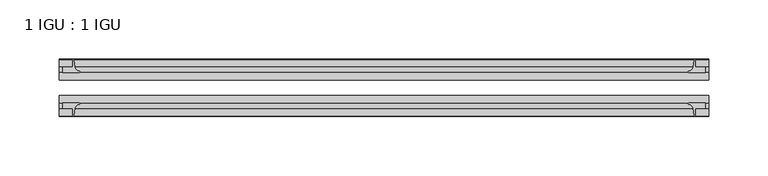
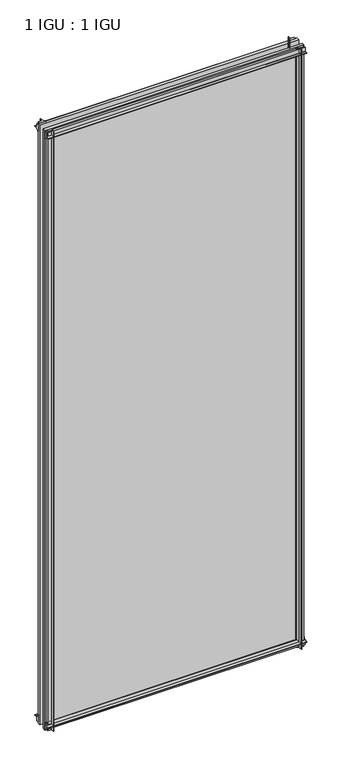
"""IFC4 building model written with IfcOpenShell, lengths in millimetres: plate geometry, 1 IGU : 1 IGU."""

from ifc_helpers import new_model, si_unit, point, frame, frame_2d, origin, place, context, project, spatial, polyline, circle_curve, trimmed, segment, composite_curve, outline, extrude, source, transform, mapped, element, save


def plate_1_igu_1_igu_a34c7358(model_context):
    return source(origin(), model_context, "Body", "SweptSolid", [
        extrude(outline(composite_curve([segment(polyline([(-42.3267187, -8.2068385), (-47.0892187, -8.2068385), (-47.0892187, 0.0), (-53.563779, 0.0)]), True, "CONTINUOUS"), segment(trimmed(circle_curve(frame_2d((-53.0328134, 0.3482823)), 0.635), [point((-53.563779, 0.0))], [point((-53.0575397, 0.9828007))], False, "CARTESIAN"), True, "CONTINUOUS"), segment(trimmed(circle_curve(frame_2d((-54.2310045, 31.0958559)), 30.1359106), [point((-53.0575397, 0.9828007))], [point((-47.0834032, 1.8198434))], True, "CARTESIAN"), True, "CONTINUOUS"), segment(trimmed(circle_curve(frame_2d((-48.2159797, 6.4587878)), 4.7752), [point((-47.0834032, 1.8198434))], [point((-43.578416, 5.3205707))], True, "CARTESIAN"), True, "CONTINUOUS"), segment(trimmed(circle_curve(frame_2d((-42.9617187, 5.169212)), 0.635), [point((-43.578416, 5.3205707))], [point((-42.3267187, 5.169212))], False, "CARTESIAN"), True, "CONTINUOUS"), segment(polyline([(-42.3267187, 5.169212), (-42.3267187, -8.2068385)]), True, "CONTINUOUS")], self_intersect=False)), frame((-273.05, 0.0, 0.0), z_axis=(1.0, 0.0, 0.0), x_axis=(0.0, 1.0, 0.0)), (0.0, 0.0, 1.0), 546.1),
        extrude(outline(composite_curve([segment(polyline([(-16.9267187, -8.2068385), (-16.9267187, 5.169212)]), True, "CONTINUOUS"), segment(trimmed(circle_curve(frame_2d((-16.2917187, 5.169212)), 0.635), [point((-16.9267187, 5.169212))], [point((-15.6750215, 5.3205707))], False, "CARTESIAN"), True, "CONTINUOUS"), segment(trimmed(circle_curve(frame_2d((-11.0374578, 6.4587878)), 4.7752), [point((-15.6750215, 5.3205707))], [point((-12.1700343, 1.8198434))], True, "CARTESIAN"), True, "CONTINUOUS"), segment(trimmed(circle_curve(frame_2d((-5.022433, 31.0958559)), 30.1359106), [point((-12.1700343, 1.8198434))], [point((-6.1958978, 0.9828007))], True, "CARTESIAN"), True, "CONTINUOUS"), segment(trimmed(circle_curve(frame_2d((-6.2206241, 0.3482823)), 0.635), [point((-6.1958978, 0.9828007))], [point((-5.6896585, 0.0))], False, "CARTESIAN"), True, "CONTINUOUS"), segment(polyline([(-5.6896585, 0.0), (-12.1642187, 0.0), (-12.1642187, -8.2068385), (-16.9267187, -8.2068385)]), True, "CONTINUOUS")], self_intersect=False)), frame((-273.05, 0.0, 0.0), z_axis=(1.0, 0.0, 0.0), x_axis=(0.0, 1.0, 0.0)), (0.0, 0.0, 1.0), 546.1),
        extrude(outline(composite_curve([segment(polyline([(-47.0892188, 1314.45), (-47.0892188, 1322.6568385), (-42.3267188, 1322.6568385), (-42.3267188, 1309.280788)]), True, "CONTINUOUS"), segment(trimmed(circle_curve(frame_2d((-42.9617187, 1309.280788)), 0.635), [point((-42.3267188, 1309.280788))], [point((-43.578416, 1309.1294293))], False, "CARTESIAN"), True, "CONTINUOUS"), segment(trimmed(circle_curve(frame_2d((-48.2159797, 1307.9912122)), 4.7752), [point((-43.578416, 1309.1294293))], [point((-47.0834032, 1312.6301566))], True, "CARTESIAN"), True, "CONTINUOUS"), segment(trimmed(circle_curve(frame_2d((-54.2310045, 1283.3541441)), 30.1359106), [point((-47.0834032, 1312.6301566))], [point((-53.0575397, 1313.4671993))], True, "CARTESIAN"), True, "CONTINUOUS"), segment(trimmed(circle_curve(frame_2d((-53.0328134, 1314.1017177)), 0.635), [point((-53.0575397, 1313.4671993))], [point((-53.563779, 1314.45))], False, "CARTESIAN"), True, "CONTINUOUS"), segment(polyline([(-53.563779, 1314.45), (-47.0892188, 1314.45)]), True, "CONTINUOUS")], self_intersect=False)), frame((-273.05, 0.0, 0.0), z_axis=(1.0, 0.0, 0.0), x_axis=(0.0, 1.0, 0.0)), (0.0, 0.0, 1.0), 546.1),
        extrude(outline(composite_curve([segment(polyline([(-12.1642187, 1314.45), (-5.6896585, 1314.45)]), True, "CONTINUOUS"), segment(trimmed(circle_curve(frame_2d((-6.2206241, 1314.1017177)), 0.635), [point((-5.6896585, 1314.45))], [point((-6.1958978, 1313.4671993))], False, "CARTESIAN"), True, "CONTINUOUS"), segment(trimmed(circle_curve(frame_2d((-5.022433, 1283.3541441)), 30.1359106), [point((-6.1958978, 1313.4671993))], [point((-12.1700343, 1312.6301566))], True, "CARTESIAN"), True, "CONTINUOUS"), segment(trimmed(circle_curve(frame_2d((-11.0374578, 1307.9912122)), 4.7752), [point((-12.1700343, 1312.6301566))], [point((-15.6750215, 1309.1294293))], True, "CARTESIAN"), True, "CONTINUOUS"), segment(trimmed(circle_curve(frame_2d((-16.2917188, 1309.280788)), 0.635), [point((-15.6750215, 1309.1294293))], [point((-16.9267188, 1309.280788))], False, "CARTESIAN"), True, "CONTINUOUS"), segment(polyline([(-16.9267188, 1309.280788), (-16.9267187, 1322.6568385), (-12.1642187, 1322.6568385), (-12.1642187, 1314.45)]), True, "CONTINUOUS")], self_intersect=False)), frame((-273.05, 0.0, 0.0), z_axis=(1.0, 0.0, 0.0), x_axis=(0.0, 1.0, 0.0)), (0.0, 0.0, 1.0), 546.1),
        extrude(outline(composite_curve([segment(polyline([(261.9375, -5.6896585), (261.9375, -12.1642188), (270.1443385, -12.1642188), (270.1443385, -16.9267187), (256.768288, -16.9267187)]), True, "CONTINUOUS"), segment(trimmed(circle_curve(frame_2d((256.768288, -16.2917188)), 0.635), [point((256.768288, -16.9267187))], [point((256.6169293, -15.6750215))], False, "CARTESIAN"), True, "CONTINUOUS"), segment(trimmed(circle_curve(frame_2d((255.4787122, -11.0374578)), 4.7752), [point((256.6169293, -15.6750215))], [point((260.1176566, -12.1700343))], True, "CARTESIAN"), True, "CONTINUOUS"), segment(trimmed(circle_curve(frame_2d((230.8416441, -5.022433)), 30.1359106), [point((260.1176566, -12.1700343))], [point((260.9546993, -6.1958978))], True, "CARTESIAN"), True, "CONTINUOUS"), segment(trimmed(circle_curve(frame_2d((261.5892177, -6.2206241)), 0.635), [point((260.9546993, -6.1958978))], [point((261.9375, -5.6896585))], False, "CARTESIAN"), True, "CONTINUOUS")], self_intersect=False)), frame((0.0, 0.0, -11.1125), z_axis=(0.0, 0.0, 1.0), x_axis=(1.0, 0.0, 0.0)), (0.0, 0.0, 1.0), 1336.675),
        extrude(outline(composite_curve([segment(trimmed(circle_curve(frame_2d((261.5892177, -53.0328134)), 0.635), [point((261.9375, -53.563779))], [point((260.9546993, -53.0575397))], False, "CARTESIAN"), True, "CONTINUOUS"), segment(trimmed(circle_curve(frame_2d((230.8416441, -54.2310045)), 30.1359106), [point((260.9546993, -53.0575397))], [point((260.1176566, -47.0834032))], True, "CARTESIAN"), True, "CONTINUOUS"), segment(trimmed(circle_curve(frame_2d((255.4787122, -48.2159797)), 4.7752), [point((260.1176566, -47.0834032))], [point((256.6169293, -43.578416))], True, "CARTESIAN"), True, "CONTINUOUS"), segment(trimmed(circle_curve(frame_2d((256.768288, -42.9617187)), 0.635), [point((256.6169293, -43.578416))], [point((256.768288, -42.3267187))], False, "CARTESIAN"), True, "CONTINUOUS"), segment(polyline([(256.768288, -42.3267187), (270.1443385, -42.3267187), (270.1443385, -47.0892188), (261.9375, -47.0892188), (261.9375, -53.563779)]), True, "CONTINUOUS")], self_intersect=False)), frame((0.0, 0.0, -11.1125), z_axis=(0.0, 0.0, 1.0), x_axis=(1.0, 0.0, 0.0)), (0.0, 0.0, 1.0), 1336.675),
        extrude(outline(composite_curve([segment(trimmed(circle_curve(frame_2d((-261.5892177, -6.2206241)), 0.635), [point((-261.9375, -5.6896585))], [point((-260.9546993, -6.1958978))], False, "CARTESIAN"), True, "CONTINUOUS"), segment(trimmed(circle_curve(frame_2d((-230.8416441, -5.022433)), 30.1359106), [point((-260.9546993, -6.1958978))], [point((-260.1176566, -12.1700343))], True, "CARTESIAN"), True, "CONTINUOUS"), segment(trimmed(circle_curve(frame_2d((-255.4787122, -11.0374578)), 4.7752), [point((-260.1176566, -12.1700343))], [point((-256.6169293, -15.6750215))], True, "CARTESIAN"), True, "CONTINUOUS"), segment(trimmed(circle_curve(frame_2d((-256.768288, -16.2917187)), 0.635), [point((-256.6169293, -15.6750215))], [point((-256.768288, -16.9267187))], False, "CARTESIAN"), True, "CONTINUOUS"), segment(polyline([(-256.768288, -16.9267187), (-270.1443385, -16.9267187), (-270.1443385, -12.1642187), (-261.9375, -12.1642187), (-261.9375, -5.6896585)]), True, "CONTINUOUS")], self_intersect=False)), frame((0.0, 0.0, -11.1125), z_axis=(0.0, 0.0, 1.0), x_axis=(1.0, 0.0, 0.0)), (0.0, 0.0, 1.0), 1336.675),
        extrude(outline(composite_curve([segment(polyline([(-261.9375, -53.563779), (-261.9375, -47.0892187), (-270.1443385, -47.0892187), (-270.1443385, -42.3267188), (-256.768288, -42.3267188)]), True, "CONTINUOUS"), segment(trimmed(circle_curve(frame_2d((-256.768288, -42.9617187)), 0.635), [point((-256.768288, -42.3267188))], [point((-256.6169293, -43.578416))], False, "CARTESIAN"), True, "CONTINUOUS"), segment(trimmed(circle_curve(frame_2d((-255.4787122, -48.2159797)), 4.7752), [point((-256.6169293, -43.578416))], [point((-260.1176566, -47.0834032))], True, "CARTESIAN"), True, "CONTINUOUS"), segment(trimmed(circle_curve(frame_2d((-230.8416441, -54.2310045)), 30.1359106), [point((-260.1176566, -47.0834032))], [point((-260.9546993, -53.0575397))], True, "CARTESIAN"), True, "CONTINUOUS"), segment(trimmed(circle_curve(frame_2d((-261.5892177, -53.0328134)), 0.635), [point((-260.9546993, -53.0575397))], [point((-261.9375, -53.563779))], False, "CARTESIAN"), True, "CONTINUOUS")], self_intersect=False)), frame((0.0, 0.0, -11.1125), z_axis=(0.0, 0.0, 1.0), x_axis=(1.0, 0.0, 0.0)), (0.0, 0.0, 1.0), 1336.675),
        extrude(outline(polyline([(273.05, -16.9267187), (273.05, -23.2259187), (-273.05, -23.2259187), (-273.05, -16.9267187), (273.05, -16.9267187)])), frame((0.0, 0.0, -11.1125), z_axis=(0.0, 0.0, 1.0), x_axis=(1.0, 0.0, 0.0)), (0.0, 0.0, 1.0), 1336.675),
        extrude(outline(polyline([(273.05, -36.0275187), (273.05, -42.3267187), (-273.05, -42.3267187), (-273.05, -36.0275187), (273.05, -36.0275187)])), frame((0.0, 0.0, -11.1125), z_axis=(0.0, 0.0, 1.0), x_axis=(1.0, 0.0, 0.0)), (0.0, 0.0, 1.0), 1336.675),
    ])


if __name__ == "__main__":
    model = new_model("IFC4")
    model_context = context("Model", 3, world=origin())
    ifc_project = project(units=[si_unit("LENGTHUNIT", "METRE", prefix="MILLI")], contexts=[model_context])
    site = spatial("IfcSite", under=ifc_project)
    building = spatial("IfcBuilding", under=site)
    placement = place(None, origin())
    plate_1_igu_1_igu_shape = plate_1_igu_1_igu_a34c7358(model_context)
    element("IfcPlate", 1, ObjectType="1 IGU : 1 IGU", at=placement, inside=building, context=model_context, shape_type="MappedRepresentation", body=[
        mapped(plate_1_igu_1_igu_shape, transform((0.0, 0.0, 0.0), x_axis=(1.0, 0.0, 0.0), y_axis=(0.0, 1.0, 0.0), z_axis=(0.0, 0.0, 1.0))),
    ])
    save(model, "model.ifc")
